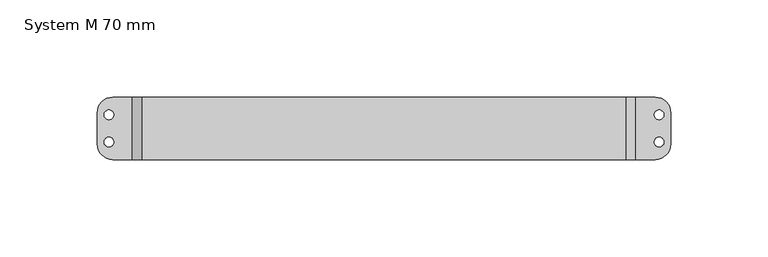
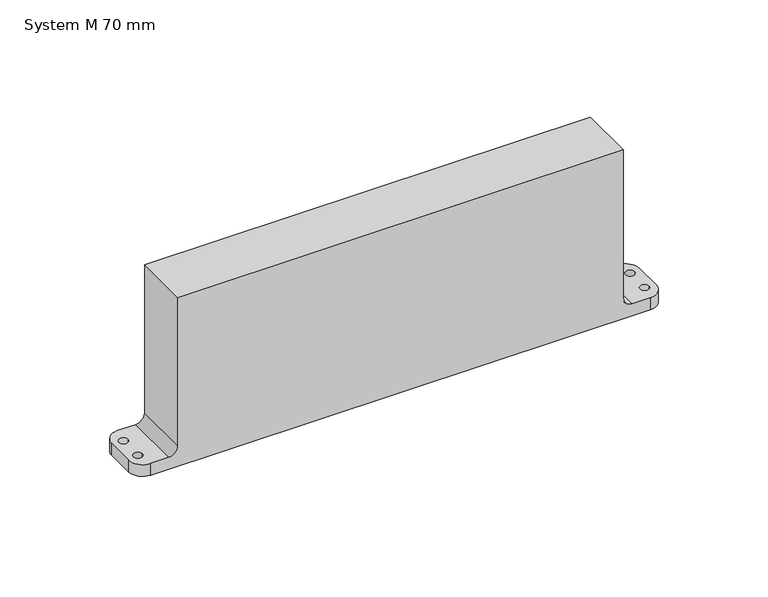
"""IFC4 building model written with IfcOpenShell, lengths in millimetres: proxy geometry, System M 70 mm."""

from ifc_helpers import new_model, si_unit, frame, origin, origin_with_axes, place, context, project, spatial, polyline, circle_curve, ellipse_curve, source, transform, mapped, element, save
from ifc_brep_helpers import plane_surface, cylinder_surface, revolved_surface, spline_surface, advanced_brep


def system_m_70_mm_bd10bc45(model_context):
    return source(origin(), model_context, "Body", "AdvancedBrep", [
        advanced_brep(
        [(7.5, 0.0, 1.0), (-7.5, 0.0, 1.0), (6.75, 0.0, -8.0), (-6.75, 0.0, -8.0)],
        [
            (0, 1, ellipse_curve(frame((0.0, 0.0, 1.0), z_axis=(0.0, 0.0, 1.0), x_axis=(-1.0, 0.0, 0.0)), 7.5, 4.8)),
            (1, 0, ellipse_curve(frame((0.0, 0.0, 1.0), z_axis=(0.0, 0.0, 1.0), x_axis=(-1.0, 0.0, 0.0)), 7.5, 4.8)),
            (2, 3, ellipse_curve(frame((0.0, 0.0, -8.0), z_axis=(0.0, 0.0, -1.0), x_axis=(-1.0, 0.0, 0.0)), 6.75, 4.0)),
            (3, 2, ellipse_curve(frame((0.0, 0.0, -8.0), z_axis=(0.0, 0.0, -1.0), x_axis=(-1.0, 0.0, 0.0)), 6.75, 4.0)),
            (3, 1),
            (0, 2),
        ],
        [
            plane_surface(frame((0.0, 0.0, 1.0), z_axis=(0.0, 0.0, 1.0), x_axis=(0.0, 1.0, 0.0))),
            plane_surface(frame((0.0, 0.0, -8.0), z_axis=(0.0, 0.0, -1.0), x_axis=(0.0, 1.0, 0.0))),
            spline_surface(2, 1, [[(6.75, 0.0, -8.0), (7.5, 0.0, 1.0)], [(6.75, 4.0, -8.0), (7.5, 4.8, 1.0)], [(0.0, 4.0, -8.0), (0.0, 4.8, 1.0)], [(-6.75, 4.0, -8.0), (-7.5, 4.8, 1.0)], [(-6.75, 0.0, -8.0), (-7.5, 0.0, 1.0)]], [3, 2, 3], [2, 2], [0.0, 1.0, 2.0], [0.0, 1.0], weights=[[1.0, 1.0], [0.7071067811865476, 0.7071067811865476], [1.0, 1.0], [0.7071067811865476, 0.7071067811865476], [1.0, 1.0]]),
            spline_surface(2, 1, [[(-6.75, 0.0, -8.0), (-7.5, 0.0, 1.0)], [(-6.75, -4.0, -8.0), (-7.5, -4.8, 1.0)], [(0.0, -4.0, -8.0), (0.0, -4.8, 1.0)], [(6.75, -4.0, -8.0), (7.5, -4.8, 1.0)], [(6.75, 0.0, -8.0), (7.5, 0.0, 1.0)]], [3, 2, 3], [2, 2], [0.0, 1.0, 2.0], [0.0, 1.0], weights=[[1.0, 1.0], [0.7071067811865476, 0.7071067811865476], [1.0, 1.0], [0.7071067811865476, 0.7071067811865476], [1.0, 1.0]]),
        ],
        [
            (0, [[1, 2]]),
            (1, [[3, 4]]),
            (2, [[-4, 5, -1, 6]]),
            (3, [[-3, -6, -2, -5]]),
        ],
    ),
        advanced_brep(
        [(214.8, -16.0, 7.0), (209.8, -16.0, 12.0), (209.8, -16.0, 99.6), (-39.0, -16.0, 99.6), (-39.0, -16.0, 12.0), (-44.0, -16.0, 7.0), (-54.0, -16.0, 7.0), (-54.0, -16.0, 0.0), (224.8, -16.0, 0.0), (224.8, -16.0, 7.0), (-44.0, 16.0, 7.0), (-39.0, 16.0, 12.0), (-39.0, 16.0, 99.6), (209.8, 16.0, 99.6), (209.8, 16.0, 12.0), (214.8, 16.0, 7.0), (224.8, 16.0, 7.0), (224.8, 16.0, 0.0), (-54.0, 16.0, 0.0), (-54.0, 16.0, 7.0), (-62.0, -8.0, 7.0), (-62.0, 8.0, 7.0), (-62.0, 8.0, 0.0), (-62.0, -8.0, 0.0), (232.8, 8.0, 0.0), (232.8, -8.0, 0.0), (-14.0, 0.0, 0.0), (14.0, 0.0, 0.0), (-50.25, 7.0, 0.0), (-61.75, 7.0, 0.0), (-61.75, -7.0, 0.0), (-50.25, -7.0, 0.0), (232.55, 7.0, 0.0), (221.05, 7.0, 0.0), (221.05, -7.0, 0.0), (232.55, -7.0, 0.0), (232.8, 8.0, 7.0), (232.8, -8.0, 7.0), (224.3, 7.0, 7.0), (229.3, 7.0, 7.0), (229.3, -7.0, 7.0), (224.3, -7.0, 7.0), (-58.5, 7.0, 7.0), (-53.5, 7.0, 7.0), (-53.5, -7.0, 7.0), (-58.5, -7.0, 7.0), (-53.5, 7.0, 3.25), (-58.5, 7.0, 3.25), (-14.0, 0.0, 1.0), (14.0, 0.0, 1.0), (-53.5, -7.0, 3.25), (-58.5, -7.0, 3.25), (224.3, 7.0, 3.25), (229.3, 7.0, 3.25), (224.3, -7.0, 3.25), (229.3, -7.0, 3.25)],
        [
            (0, 1, circle_curve(frame((214.8, -16.0, 12.0), z_axis=(0.0, 1.0, 0.0), x_axis=(1.0, 0.0, 0.0)), 5.0)),
            (1, 2),
            (2, 3),
            (3, 4),
            (4, 5, circle_curve(frame((-44.0, -16.0, 12.0), z_axis=(0.0, 1.0, 0.0), x_axis=(1.0, 0.0, 0.0)), 5.0)),
            (5, 6),
            (6, 7),
            (7, 8),
            (8, 9),
            (9, 0),
            (10, 11, circle_curve(frame((-44.0, 16.0, 12.0), z_axis=(0.0, -1.0, 0.0), x_axis=(1.0, 0.0, 0.0)), 5.0)),
            (11, 12),
            (12, 13),
            (13, 14),
            (14, 15, circle_curve(frame((214.8, 16.0, 12.0), z_axis=(0.0, -1.0, 0.0), x_axis=(1.0, 0.0, 0.0)), 5.0)),
            (15, 16),
            (16, 17),
            (17, 18),
            (18, 19),
            (19, 10),
            (20, 21),
            (21, 22),
            (22, 23),
            (23, 20),
            (7, 23, circle_curve(frame((-54.0, -8.0, 0.0), z_axis=(0.0, 0.0, -1.0), x_axis=(1.0, 0.0, 0.0)), 8.0)),
            (22, 18, circle_curve(frame((-54.0, 8.0, 0.0), z_axis=(0.0, 0.0, -1.0), x_axis=(1.0, 0.0, 0.0)), 8.0)),
            (17, 24, circle_curve(frame((224.8, 8.0, 0.0), z_axis=(0.0, 0.0, -1.0), x_axis=(-1.0, 0.0, 0.0)), 8.0)),
            (24, 25),
            (25, 8, circle_curve(frame((224.8, -8.0, 0.0), z_axis=(0.0, 0.0, -1.0), x_axis=(-1.0, 0.0, 0.0)), 8.0)),
            (26, 27, circle_curve(origin_with_axes(), 14.0)),
            (27, 26, circle_curve(origin_with_axes(), 14.0)),
            (28, 29, circle_curve(frame((-56.0, 7.0, 0.0), z_axis=(0.0, 0.0, 1.0), x_axis=(-1.0, 0.0, 0.0)), 5.75)),
            (29, 28, circle_curve(frame((-56.0, 7.0, 0.0), z_axis=(0.0, 0.0, 1.0), x_axis=(-1.0, 0.0, 0.0)), 5.75)),
            (30, 31, circle_curve(frame((-56.0, -7.0, 0.0), z_axis=(0.0, 0.0, 1.0), x_axis=(-1.0, 0.0, 0.0)), 5.75)),
            (31, 30, circle_curve(frame((-56.0, -7.0, 0.0), z_axis=(0.0, 0.0, 1.0), x_axis=(-1.0, 0.0, 0.0)), 5.75)),
            (32, 33, circle_curve(frame((226.8, 7.0, 0.0), z_axis=(0.0, 0.0, 1.0), x_axis=(1.0, 0.0, 0.0)), 5.75)),
            (33, 32, circle_curve(frame((226.8, 7.0, 0.0), z_axis=(0.0, 0.0, 1.0), x_axis=(1.0, 0.0, 0.0)), 5.75)),
            (34, 35, circle_curve(frame((226.8, -7.0, 0.0), z_axis=(0.0, 0.0, 1.0), x_axis=(1.0, 0.0, 0.0)), 5.75)),
            (35, 34, circle_curve(frame((226.8, -7.0, 0.0), z_axis=(0.0, 0.0, 1.0), x_axis=(1.0, 0.0, 0.0)), 5.75)),
            (24, 36),
            (36, 37),
            (37, 25),
            (15, 0),
            (9, 37, circle_curve(frame((224.8, -8.0, 7.0), z_axis=(0.0, 0.0, 1.0), x_axis=(-1.0, 0.0, 0.0)), 8.0)),
            (36, 16, circle_curve(frame((224.8, 8.0, 7.0), z_axis=(0.0, 0.0, 1.0), x_axis=(-1.0, 0.0, 0.0)), 8.0)),
            (38, 39, circle_curve(frame((226.8, 7.0, 7.0), z_axis=(0.0, 0.0, -1.0), x_axis=(1.0, 0.0, 0.0)), 2.5)),
            (39, 38, circle_curve(frame((226.8, 7.0, 7.0), z_axis=(0.0, 0.0, -1.0), x_axis=(1.0, 0.0, 0.0)), 2.5)),
            (40, 41, circle_curve(frame((226.8, -7.0, 7.0), z_axis=(0.0, 0.0, -1.0), x_axis=(1.0, 0.0, 0.0)), 2.5)),
            (41, 40, circle_curve(frame((226.8, -7.0, 7.0), z_axis=(0.0, 0.0, -1.0), x_axis=(1.0, 0.0, 0.0)), 2.5)),
            (14, 1),
            (13, 2),
            (12, 3),
            (11, 4),
            (10, 5),
            (19, 21, circle_curve(frame((-54.0, 8.0, 7.0), z_axis=(0.0, 0.0, 1.0), x_axis=(1.0, 0.0, 0.0)), 8.0)),
            (20, 6, circle_curve(frame((-54.0, -8.0, 7.0), z_axis=(0.0, 0.0, 1.0), x_axis=(1.0, 0.0, 0.0)), 8.0)),
            (42, 43, circle_curve(frame((-56.0, 7.0, 7.0), z_axis=(0.0, 0.0, -1.0), x_axis=(-1.0, 0.0, 0.0)), 2.5)),
            (43, 42, circle_curve(frame((-56.0, 7.0, 7.0), z_axis=(0.0, 0.0, -1.0), x_axis=(-1.0, 0.0, 0.0)), 2.5)),
            (44, 45, circle_curve(frame((-56.0, -7.0, 7.0), z_axis=(0.0, 0.0, -1.0), x_axis=(-1.0, 0.0, 0.0)), 2.5)),
            (45, 44, circle_curve(frame((-56.0, -7.0, 7.0), z_axis=(0.0, 0.0, -1.0), x_axis=(-1.0, 0.0, 0.0)), 2.5)),
            (46, 43),
            (42, 47),
            (47, 46, circle_curve(frame((-56.0, 7.0, 3.25), z_axis=(0.0, 0.0, -1.0), x_axis=(-1.0, 0.0, 0.0)), 2.5)),
            (46, 47, circle_curve(frame((-56.0, 7.0, 3.25), z_axis=(0.0, 0.0, -1.0), x_axis=(-1.0, 0.0, 0.0)), 2.5)),
            (48, 49, circle_curve(frame((0.0, 0.0, 1.0), z_axis=(0.0, 0.0, -1.0), x_axis=(1.0, 0.0, 0.0)), 14.0)),
            (49, 48, circle_curve(frame((0.0, 0.0, 1.0), z_axis=(0.0, 0.0, -1.0), x_axis=(1.0, 0.0, 0.0)), 14.0)),
            (49, 27),
            (26, 48),
            (47, 29),
            (28, 46),
            (44, 50),
            (50, 51, circle_curve(frame((-56.0, -7.0, 3.25), z_axis=(0.0, 0.0, -1.0), x_axis=(-1.0, 0.0, 0.0)), 2.5)),
            (51, 45),
            (51, 50, circle_curve(frame((-56.0, -7.0, 3.25), z_axis=(0.0, 0.0, -1.0), x_axis=(-1.0, 0.0, 0.0)), 2.5)),
            (50, 31),
            (30, 51),
            (38, 52),
            (52, 53, circle_curve(frame((226.8, 7.0, 3.25), z_axis=(0.0, 0.0, -1.0), x_axis=(1.0, 0.0, 0.0)), 2.5)),
            (53, 39),
            (53, 52, circle_curve(frame((226.8, 7.0, 3.25), z_axis=(0.0, 0.0, -1.0), x_axis=(1.0, 0.0, 0.0)), 2.5)),
            (52, 33),
            (32, 53),
            (54, 41),
            (40, 55),
            (55, 54, circle_curve(frame((226.8, -7.0, 3.25), z_axis=(0.0, 0.0, -1.0), x_axis=(1.0, 0.0, 0.0)), 2.5)),
            (54, 55, circle_curve(frame((226.8, -7.0, 3.25), z_axis=(0.0, 0.0, -1.0), x_axis=(1.0, 0.0, 0.0)), 2.5)),
            (55, 35),
            (34, 54),
        ],
        [
            plane_surface(frame((-62.0, -16.0, 0.0), z_axis=(0.0, -1.0, 0.0), x_axis=(0.0, 0.0, -1.0))),
            plane_surface(frame((-62.0, 16.0, 0.0), z_axis=(0.0, 1.0, 0.0), x_axis=(0.0, 0.0, 1.0))),
            plane_surface(frame((-62.0, -16.0, 7.0), z_axis=(-1.0, 0.0, 0.0), x_axis=(0.0, 1.0, 0.0))),
            plane_surface(frame((-62.0, -16.0, 0.0), z_axis=(0.0, 0.0, -1.0), x_axis=(0.0, 1.0, 0.0))),
            plane_surface(frame((232.8, -16.0, 0.0), z_axis=(1.0, 0.0, 0.0), x_axis=(0.0, 1.0, 0.0))),
            plane_surface(frame((232.8, -16.0, 7.0), z_axis=(0.0, 0.0, 1.0), x_axis=(0.0, 1.0, 0.0))),
            revolved_surface(polyline([(219.8, 16.0, 12.0), (219.8, -16.0, 12.0)]), (214.8, 16.0, 12.0), (0.0, 1.0, 0.0)),
            plane_surface(frame((209.8, -16.0, 12.0), z_axis=(1.0, 0.0, 0.0), x_axis=(0.0, 1.0, 0.0))),
            plane_surface(frame((209.8, -16.0, 99.6), z_axis=(0.0, 0.0, 1.0), x_axis=(0.0, 1.0, 0.0))),
            plane_surface(frame((-39.0, -16.0, 99.6), z_axis=(-1.0, 0.0, 0.0), x_axis=(0.0, 1.0, 0.0))),
            revolved_surface(polyline([(-39.0, 16.0, 12.0), (-39.0, -16.0, 12.0)]), (-44.0, 16.0, 12.0), (0.0, 1.0, 0.0)),
            plane_surface(frame((-44.0, -16.0, 7.0), z_axis=(0.0, 0.0, 1.0), x_axis=(0.0, 1.0, 0.0))),
            cylinder_surface(frame((-54.0, -8.0, 0.0), z_axis=(0.0, 0.0, -1.0), x_axis=(1.0, 0.0, 0.0)), 8.0),
            cylinder_surface(frame((-54.0, 8.0, 0.0), z_axis=(0.0, 0.0, -1.0), x_axis=(1.0, 0.0, 0.0)), 8.0),
            cylinder_surface(frame((224.8, -8.0, 0.0), z_axis=(0.0, 0.0, -1.0), x_axis=(-1.0, 0.0, 0.0)), 8.0),
            cylinder_surface(frame((224.8, 8.0, 0.0), z_axis=(0.0, 0.0, -1.0), x_axis=(-1.0, 0.0, 0.0)), 8.0),
            revolved_surface(polyline([(-58.5, 7.0, 3.25), (-58.5, 7.0, 7.0)]), (-56.0, 7.0, 7.0), (0.0, 0.0, -1.0)),
            plane_surface(frame((14.0, 0.0, 1.0), z_axis=(0.0, 0.0, -1.0), x_axis=(0.0, 1.0, 0.0))),
            revolved_surface(polyline([(14.0, 0.0, 1.0), (14.0, 0.0, 0.0)]), (0.0, 0.0, 0.0), (0.0, 0.0, 1.0)),
            revolved_surface(polyline([(-61.75, 7.0, 0.0), (-58.5, 7.0, 3.25)]), (-56.0, 7.0, 7.0), (0.0, 0.0, -1.0)),
            revolved_surface(polyline([(-58.5, -7.0, 7.0), (-58.5, -7.0, 3.25)]), (-56.0, -7.0, 7.0), (0.0, 0.0, 1.0)),
            revolved_surface(polyline([(-58.5, -7.0, 3.25), (-61.75, -7.0, 0.0)]), (-56.0, -7.0, 7.0), (0.0, 0.0, 1.0)),
            revolved_surface(polyline([(229.3, 7.0, 7.0), (229.3, 7.0, 3.25)]), (226.8, 7.0, 7.0), (0.0, 0.0, 1.0)),
            revolved_surface(polyline([(229.3, 7.0, 3.25), (232.55, 7.0, 0.0)]), (226.8, 7.0, 7.0), (0.0, 0.0, 1.0)),
            revolved_surface(polyline([(229.3, -7.0, 3.25), (229.3, -7.0, 7.0)]), (226.8, -7.0, 7.0), (0.0, 0.0, -1.0)),
            revolved_surface(polyline([(232.55, -7.0, 0.0), (229.3, -7.0, 3.25)]), (226.8, -7.0, 7.0), (0.0, 0.0, -1.0)),
        ],
        [
            (0, [[1, 2, 3, 4, 5, 6, 7, 8, 9, 10]]),
            (1, [[11, 12, 13, 14, 15, 16, 17, 18, 19, 20]]),
            (2, [[21, 22, 23, 24]]),
            (3, [[-8, 25, -23, 26, -18, 27, 28, 29], [30, 31], [32, 33], [34, 35], [36, 37], [38, 39]]),
            (4, [[-28, 40, 41, 42]]),
            (5, [[43, -10, 44, -41, 45, -16], [46, 47], [48, 49]]),
            (6, [[-1, -43, -15, 50]]),
            (7, [[-2, -50, -14, 51]]),
            (8, [[-3, -51, -13, 52]]),
            (9, [[-4, -52, -12, 53]]),
            (10, [[-5, -53, -11, 54]]),
            (11, [[-54, -20, 55, -21, 56, -6], [57, 58], [59, 60]]),
            (12, [[-7, -56, -24, -25]]),
            (13, [[-19, -26, -22, -55]]),
            (14, [[-9, -29, -42, -44]]),
            (15, [[-17, -45, -40, -27]]),
            (16, [[61, -57, 62, 63]]),
            (16, [[-61, 64, -62, -58]]),
            (17, [[65, 66]]),
            (18, [[-66, 67, -30, 68]]),
            (18, [[-65, -68, -31, -67]]),
            (19, [[-63, 69, -32, 70]]),
            (19, [[-64, -70, -33, -69]]),
            (20, [[71, 72, 73, -59]]),
            (20, [[-71, -60, -73, 74]]),
            (21, [[-72, 75, -34, 76]]),
            (21, [[-74, -76, -35, -75]]),
            (22, [[77, 78, 79, -46]]),
            (22, [[-77, -47, -79, 80]]),
            (23, [[-78, 81, -36, 82]]),
            (23, [[-80, -82, -37, -81]]),
            (24, [[83, -48, 84, 85]]),
            (24, [[-83, 86, -84, -49]]),
            (25, [[-85, 87, -38, 88]]),
            (25, [[-86, -88, -39, -87]]),
        ],
    ),
    ])


if __name__ == "__main__":
    model = new_model("IFC4")
    model_context = context("Model", 3, world=origin())
    ifc_project = project(units=[si_unit("LENGTHUNIT", "METRE", prefix="MILLI")], contexts=[model_context])
    site = spatial("IfcSite", under=ifc_project)
    building = spatial("IfcBuilding", under=site)
    placement = place(None, origin())
    system_m_70_mm_shape = system_m_70_mm_bd10bc45(model_context)
    element("IfcBuildingElementProxy", 1, Name="System M 70 mm", ObjectType="System M 70 mm", at=placement, inside=building, context=model_context, shape_type="MappedRepresentation", body=[
        mapped(system_m_70_mm_shape, transform((0.0, 0.0, 0.0), x_axis=(1.0, 0.0, 0.0), y_axis=(0.0, 1.0, 0.0), z_axis=(0.0, 0.0, 1.0))),
    ])
    save(model, "model.ifc")
